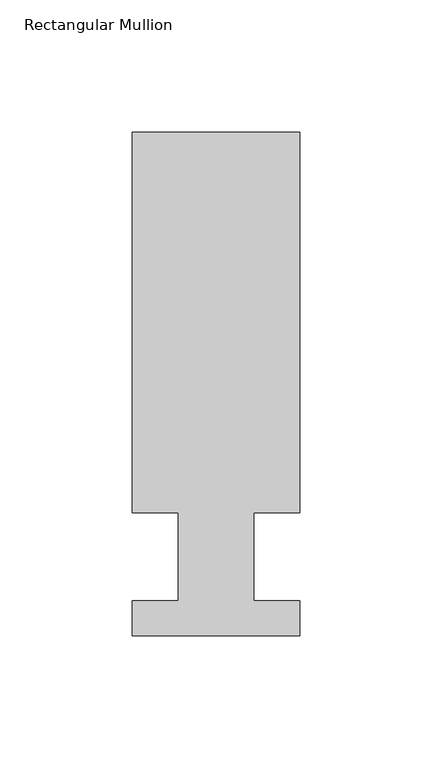
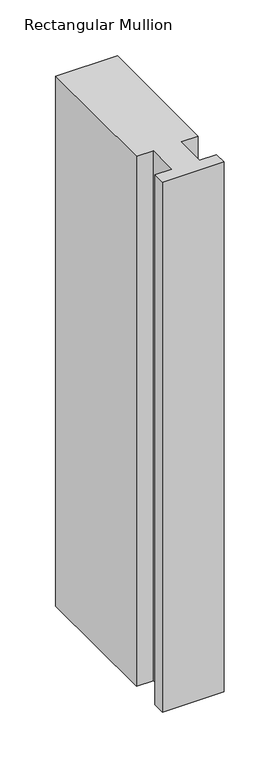
"""IFC4 building model written with IfcOpenShell, lengths in millimetres: member geometry, Rectangular Mullion."""

from ifc_helpers import new_model, si_unit, frame, origin, place, context, project, spatial, polyline, outline, extrude, source, transform, mapped, element, save


def rectangular_mullion_994485c9(model_context):
    return source(origin(), model_context, "Body", "SweptSolid", [
        extrude(outline(polyline([(-63.5000004, 190.7881316), (-4e-07, 190.7881316), (-4e-07, 46.7447316), (-17.4625004, 46.7447316), (-17.4625004, 13.3945316), (0.0, 13.3945316), (0.0, 0.2119316), (-63.5, 0.2119316), (-63.5, 13.3945316), (-46.0248005, 13.3945316), (-46.0248005, 46.7447316), (-63.5000004, 46.7447316), (-63.5000004, 190.7881316)])), frame((0.0, 0.0, -577.8499997), z_axis=(0.0, 0.0, 1.0), x_axis=(1.0, 0.0, 0.0)), (0.0, 0.0, 1.0), 577.8499997),
    ])


if __name__ == "__main__":
    model = new_model("IFC4")
    model_context = context("Model", 3, world=origin())
    ifc_project = project(units=[si_unit("LENGTHUNIT", "METRE", prefix="MILLI")], contexts=[model_context])
    site = spatial("IfcSite", under=ifc_project)
    building = spatial("IfcBuilding", under=site)
    placement = place(None, origin())
    rectangular_mullion_shape = rectangular_mullion_994485c9(model_context)
    element("IfcMember", 1, ObjectType="Rectangular Mullion", at=placement, inside=building, context=model_context, shape_type="MappedRepresentation", body=[
        mapped(rectangular_mullion_shape, transform((0.0, 0.0, 0.0), x_axis=(1.0, 0.0, 0.0), y_axis=(0.0, 1.0, 0.0), z_axis=(0.0, 0.0, 1.0))),
    ])
    save(model, "model.ifc")
